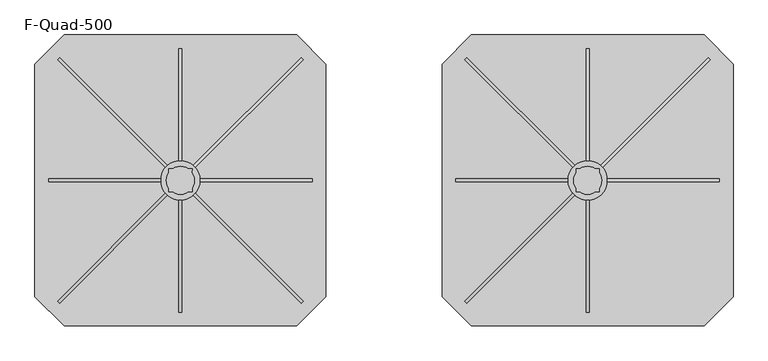
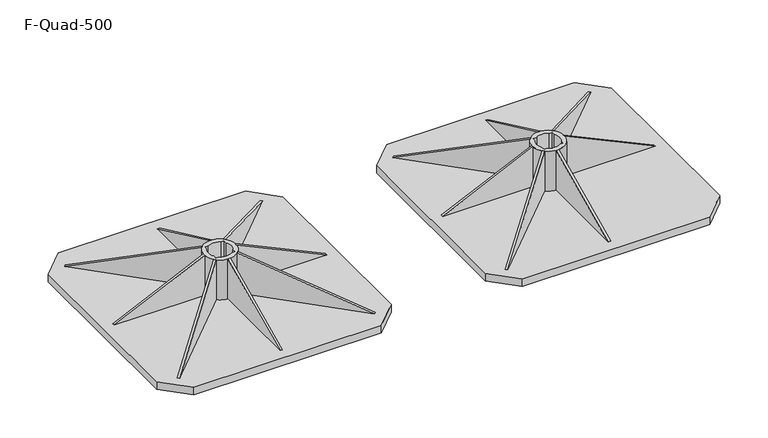
"""IFC4 building model written with IfcOpenShell, lengths in millimetres: beam geometry, F-Quad-500."""

from ifc_helpers import new_model, si_unit, point, frame, frame_2d, origin, origin_with_axes, origin_2d, place, context, project, spatial, polyline, circle_curve, trimmed, segment, composite_curve, outline, extrude, source, transform, mapped, element, save


def f_quad_500_d7d6c3b4(model_context):
    return source(origin(), model_context, "Body", "SweptSolid", [
        extrude(outline(polyline([(0.0, 0.0), (-247.7880551, -85.1180342), (-277.0270745, 0.0), (0.0, 0.0)])), frame((492.4641597, -211.0713742, 17.0), z_axis=(-0.7071067811865449, 0.7071067811865502, 0.0), x_axis=(-0.6687504353591719, -0.6687504353591668, -0.3248779931202527)), (0.0, 0.0, 1.0), 5.0),
        extrude(outline(polyline([(0.0, 0.0), (277.0270745, 0.0), (247.7880551, -85.1180342), (0.0, 0.0)])), frame((911.0713742, 207.5358403, 17.0), z_axis=(-0.7071067811865384, 0.7071067811865568, 0.0), x_axis=(-0.6687504353591781, -0.6687504353591606, 0.32487799312025273)), (0.0, 0.0, 1.0), 5.0),
        extrude(outline(polyline([(17.0, 926.5), (107.0, 733.9683544), (17.0, 733.9683544), (17.0, 926.5)])), frame((0.0, -2.5, 0.0), z_axis=(0.0, 1.0, 0.0), x_axis=(0.0, 0.0, 1.0)), (0.0, 0.0, 1.0), 5.0),
        extrude(outline(polyline([(-226.5, 17.0), (-33.9683544, 107.0), (-33.9683544, 17.0), (-226.5, 17.0)])), frame((697.5, 0.0, 0.0), z_axis=(1.0, 0.0, 0.0), x_axis=(0.0, 1.0, 0.0)), (0.0, 0.0, 1.0), 5.0),
        extrude(outline(polyline([(226.5, 17.0), (33.9683544, 17.0), (33.9683544, 107.0), (226.5, 17.0)])), frame((697.5, 0.0, 0.0), z_axis=(1.0, 0.0, 0.0), x_axis=(0.0, 1.0, 0.0)), (0.0, 0.0, 1.0), 5.0),
        extrude(outline(polyline([(17.0, 473.5), (17.0, 666.0316456), (107.0, 666.0316456), (17.0, 473.5)])), frame((0.0, -2.5, 0.0), z_axis=(0.0, 1.0, 0.0), x_axis=(0.0, 0.0, 1.0)), (0.0, 0.0, 1.0), 5.0),
        extrude(outline(polyline([(0.0, 0.0), (-247.7880551, -85.1180342), (-277.0270745, 0.0), (0.0, 0.0)])), frame((488.9286258, 207.5358403, 17.0), z_axis=(0.7071067811865491, 0.7071067811865459, 0.0), x_axis=(-0.6687504353591679, 0.6687504353591709, -0.32487799312025273)), (0.0, 0.0, 1.0), 5.0),
        extrude(outline(composite_curve([segment(trimmed(circle_curve(frame_2d((700.0, 0.0)), 34.0), [point((666.0, 0.0))], [point((734.0, 0.0))], False, "CARTESIAN"), True, "CONTINUOUS"), segment(trimmed(circle_curve(frame_2d((700.0, 0.0)), 34.0), [point((734.0, 0.0))], [point((666.0, 0.0))], False, "CARTESIAN"), True, "CONTINUOUS")], self_intersect=False), holes=[composite_curve([segment(polyline([(686.7335008, 20.0), (680.0, 20.0), (680.0, 13.2664992)]), True, "CONTINUOUS"), segment(trimmed(circle_curve(frame_2d((700.0, 0.0)), 24.0), [point((680.0, 13.2664992))], [point((680.0, -13.2664992))], True, "CARTESIAN"), True, "CONTINUOUS"), segment(polyline([(680.0, -13.2664992), (680.0, -20.0), (686.7335008, -20.0)]), True, "CONTINUOUS"), segment(trimmed(circle_curve(frame_2d((700.0, 0.0)), 24.0), [point((686.7335008, -20.0))], [point((713.2664992, -20.0))], True, "CARTESIAN"), True, "CONTINUOUS"), segment(polyline([(713.2664992, -20.0), (720.0, -20.0), (720.0, -13.2664992)]), True, "CONTINUOUS"), segment(trimmed(circle_curve(frame_2d((700.0, 0.0)), 24.0), [point((720.0, -13.2664992))], [point((720.0, 13.2664992))], True, "CARTESIAN"), True, "CONTINUOUS"), segment(polyline([(720.0, 13.2664992), (720.0, 20.0), (713.2664992, 20.0)]), True, "CONTINUOUS"), segment(trimmed(circle_curve(frame_2d((700.0, 0.0)), 24.0), [point((713.2664992, 20.0))], [point((686.7335008, 20.0))], True, "CARTESIAN"), True, "CONTINUOUS")], self_intersect=False)]), frame((0.0, 0.0, 17.0), z_axis=(0.0, 0.0, 1.0), x_axis=(1.0, 0.0, 0.0)), (0.0, 0.0, 1.0), 90.0),
        extrude(outline(polyline([(900.0, 250.0), (950.0, 200.0), (950.0, -200.0), (900.0, -250.0), (500.0, -250.0), (450.0, -200.0), (450.0, 200.0), (500.0, 250.0), (900.0, 250.0)])), origin_with_axes(), (0.0, 0.0, 1.0), 17.0),
        extrude(outline(polyline([(0.0, 0.0), (277.0270745, 0.0), (247.7880551, -85.1180342), (0.0, 0.0)])), frame((207.5358403, -211.0713742, 17.0), z_axis=(0.7071067811865491, 0.7071067811865459, 0.0), x_axis=(-0.6687504353591679, 0.6687504353591709, 0.32487799312025273)), (0.0, 0.0, 1.0), 5.0),
        extrude(outline(polyline([(0.0, 0.0), (-247.7880551, -85.1180342), (-277.0270745, 0.0), (0.0, 0.0)])), frame((-207.5358403, -211.0713742, 17.0), z_axis=(-0.7071067811865449, 0.7071067811865502, 0.0), x_axis=(-0.6687504353591719, -0.6687504353591668, -0.3248779931202527)), (0.0, 0.0, 1.0), 5.0),
        extrude(outline(polyline([(0.0, 0.0), (277.0270745, 0.0), (247.7880551, -85.1180342), (0.0, 0.0)])), frame((211.0713742, 207.5358403, 17.0), z_axis=(-0.7071067811865384, 0.7071067811865568, 0.0), x_axis=(-0.6687504353591781, -0.6687504353591606, 0.32487799312025273)), (0.0, 0.0, 1.0), 5.0),
        extrude(outline(polyline([(17.0, 226.5), (107.0, 33.9683544), (17.0, 33.9683544), (17.0, 226.5)])), frame((0.0, -2.5, 0.0), z_axis=(0.0, 1.0, 0.0), x_axis=(0.0, 0.0, 1.0)), (0.0, 0.0, 1.0), 5.0),
        extrude(outline(polyline([(-226.5, 17.0), (-33.9683544, 107.0), (-33.9683544, 17.0), (-226.5, 17.0)])), frame((-2.5, 0.0, 0.0), z_axis=(1.0, 0.0, 0.0), x_axis=(0.0, 1.0, 0.0)), (0.0, 0.0, 1.0), 5.0),
        extrude(outline(polyline([(226.5, 17.0), (33.9683544, 17.0), (33.9683544, 107.0), (226.5, 17.0)])), frame((-2.5, 0.0, 0.0), z_axis=(1.0, 0.0, 0.0), x_axis=(0.0, 1.0, 0.0)), (0.0, 0.0, 1.0), 5.0),
        extrude(outline(polyline([(17.0, -226.5), (17.0, -33.9683544), (107.0, -33.9683544), (17.0, -226.5)])), frame((0.0, -2.5, 0.0), z_axis=(0.0, 1.0, 0.0), x_axis=(0.0, 0.0, 1.0)), (0.0, 0.0, 1.0), 5.0),
        extrude(outline(polyline([(0.0, 0.0), (-247.7880551, -85.1180342), (-277.0270745, 0.0), (0.0, 0.0)])), frame((-211.0713742, 207.5358403, 17.0), z_axis=(0.7071067811865491, 0.7071067811865459, 0.0), x_axis=(-0.6687504353591679, 0.6687504353591709, -0.32487799312025273)), (0.0, 0.0, 1.0), 5.0),
        extrude(outline(composite_curve([segment(trimmed(circle_curve(origin_2d(), 34.0), [point((-34.0, 0.0))], [point((34.0, 0.0))], False, "CARTESIAN"), True, "CONTINUOUS"), segment(trimmed(circle_curve(origin_2d(), 34.0), [point((34.0, 0.0))], [point((-34.0, 0.0))], False, "CARTESIAN"), True, "CONTINUOUS")], self_intersect=False), holes=[composite_curve([segment(polyline([(-13.2664992, 20.0), (-20.0, 20.0), (-20.0, 13.2664992)]), True, "CONTINUOUS"), segment(trimmed(circle_curve(origin_2d(), 24.0), [point((-20.0, 13.2664992))], [point((-20.0, -13.2664992))], True, "CARTESIAN"), True, "CONTINUOUS"), segment(polyline([(-20.0, -13.2664992), (-20.0, -20.0), (-13.2664992, -20.0)]), True, "CONTINUOUS"), segment(trimmed(circle_curve(origin_2d(), 24.0), [point((-13.2664992, -20.0))], [point((13.2664992, -20.0))], True, "CARTESIAN"), True, "CONTINUOUS"), segment(polyline([(13.2664992, -20.0), (20.0, -20.0), (20.0, -13.2664992)]), True, "CONTINUOUS"), segment(trimmed(circle_curve(origin_2d(), 24.0), [point((20.0, -13.2664992))], [point((20.0, 13.2664992))], True, "CARTESIAN"), True, "CONTINUOUS"), segment(polyline([(20.0, 13.2664992), (20.0, 20.0), (13.2664992, 20.0)]), True, "CONTINUOUS"), segment(trimmed(circle_curve(origin_2d(), 24.0), [point((13.2664992, 20.0))], [point((-13.2664992, 20.0))], True, "CARTESIAN"), True, "CONTINUOUS")], self_intersect=False)]), frame((0.0, 0.0, 17.0), z_axis=(0.0, 0.0, 1.0), x_axis=(1.0, 0.0, 0.0)), (0.0, 0.0, 1.0), 90.0),
        extrude(outline(polyline([(200.0, 250.0), (250.0, 200.0), (250.0, -200.0), (200.0, -250.0), (-200.0, -250.0), (-250.0, -200.0), (-250.0, 200.0), (-200.0, 250.0), (200.0, 250.0)])), origin_with_axes(), (0.0, 0.0, 1.0), 17.0),
    ])


if __name__ == "__main__":
    model = new_model("IFC4")
    model_context = context("Model", 3, world=origin())
    ifc_project = project(units=[si_unit("LENGTHUNIT", "METRE", prefix="MILLI")], contexts=[model_context])
    site = spatial("IfcSite", under=ifc_project)
    building = spatial("IfcBuilding", under=site)
    placement = place(None, origin())
    f_quad_500_shape = f_quad_500_d7d6c3b4(model_context)
    element("IfcBeam", 1, ObjectType="F-Quad-500", at=placement, inside=building, context=model_context, shape_type="MappedRepresentation", body=[
        mapped(f_quad_500_shape, transform((0.0, 0.0, 0.0), x_axis=(1.0, 0.0, 0.0), y_axis=(0.0, 1.0, 0.0), z_axis=(0.0, 0.0, 1.0))),
    ])
    save(model, "model.ifc")
